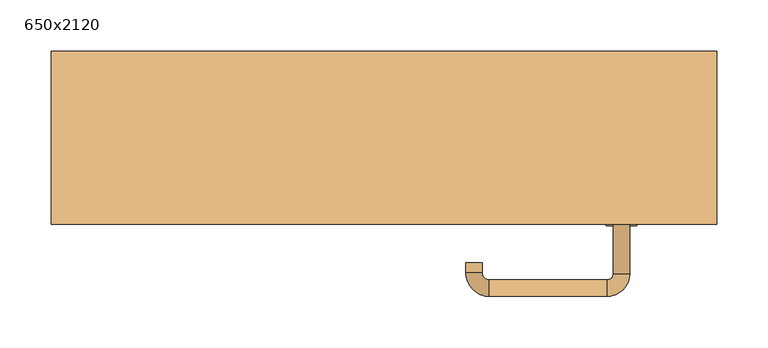
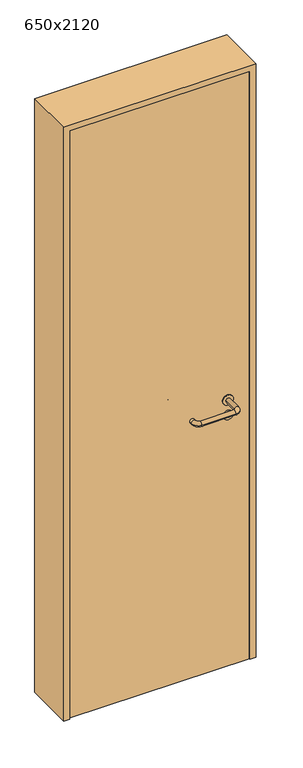
"""IFC4 building model written with IfcOpenShell, lengths in millimetres: door geometry, 650x2120."""

from ifc_helpers import new_model, si_unit, point, frame, frame_2d, origin, origin_with_axes, place, context, project, spatial, polyline, circle_curve, ellipse_curve, trimmed, segment, composite_curve, outline, extrude, source, transform, mapped, element, save
from ifc_brep_helpers import plane_surface, cylinder_surface, revolved_surface, advanced_brep


def door_650x2120_4b329773(model_context):
    return source(origin(), model_context, "Body", "SolidModel", [
        extrude(outline(composite_curve([segment(trimmed(circle_curve(frame_2d((897.3605726, 232.0)), 15.0), [point((897.3605726, 247.0))], [point((897.3605726, 217.0))], False, "CARTESIAN"), True, "CONTINUOUS"), segment(trimmed(circle_curve(frame_2d((897.3605726, 232.0)), 15.0), [point((897.3605726, 217.0))], [point((897.3605726, 247.0))], False, "CARTESIAN"), True, "CONTINUOUS")], self_intersect=False), holes=[composite_curve([segment(trimmed(circle_curve(frame_2d((892.5833211, 231.9398032)), 2.0), [point((892.5833211, 233.9398032))], [point((892.5833211, 229.9398032))], True, "CARTESIAN"), True, "CONTINUOUS"), segment(polyline([(892.5833211, 229.9398032), (902.5833211, 229.9398032)]), True, "CONTINUOUS"), segment(trimmed(circle_curve(frame_2d((902.5833211, 231.9398032)), 2.0), [point((902.5833211, 229.9398032))], [point((902.5833211, 233.9398032))], True, "CARTESIAN"), True, "CONTINUOUS"), segment(polyline([(902.5833211, 233.9398032), (892.5833211, 233.9398032)]), True, "CONTINUOUS")], self_intersect=False)]), frame((0.0, -50.0, 0.0), z_axis=(0.0, 1.0, 0.0), x_axis=(0.0, 0.0, 1.0)), (0.0, 0.0, 1.0), 6.35),
        extrude(outline(composite_curve([segment(trimmed(circle_curve(frame_2d((950.0, 232.0)), 17.526), [point((950.0, 249.526))], [point((950.0, 214.474))], False, "CARTESIAN"), True, "CONTINUOUS"), segment(trimmed(circle_curve(frame_2d((950.0, 232.0)), 17.526), [point((950.0, 214.474))], [point((950.0, 249.526))], False, "CARTESIAN"), True, "CONTINUOUS")], self_intersect=False)), frame((0.0, -50.0, 0.0), z_axis=(0.0, 1.0, 0.0), x_axis=(0.0, 0.0, 1.0)), (0.0, 0.0, 1.0), 3.175),
        advanced_brep(
        [(240.0, -50.0, 950.0), (224.0, -50.0, 950.0), (240.0, 3.0, 950.0), (224.0, 3.0, 950.0), (217.8578644, 9.1421356, 950.0), (217.8578644, 25.1421356, 950.0), (102.8578644, 25.1421356, 950.0), (102.8578644, 9.1421356, 950.0), (96.008622, 2.2928932, 950.0), (80.008622, 2.2928932, 950.0), (80.008622, -7.7071068, 950.0), (96.008622, -7.7071068, 950.0)],
        [
            (0, 1, circle_curve(frame((232.0, -50.0, 950.0), z_axis=(0.0, -1.0, 0.0), x_axis=(-1.0, 0.0, 0.0)), 8.0)),
            (1, 0, circle_curve(frame((232.0, -50.0, 950.0), z_axis=(0.0, -1.0, 0.0), x_axis=(-1.0, 0.0, 0.0)), 8.0)),
            (0, 2),
            (2, 3, circle_curve(frame((232.0, 3.0, 950.0), z_axis=(0.0, -1.0, 0.0), x_axis=(-1.0, 0.0, 0.0)), 8.0)),
            (3, 1),
            (3, 2, circle_curve(frame((232.0, 3.0, 950.0), z_axis=(0.0, -1.0, 0.0), x_axis=(-1.0, 0.0, 0.0)), 8.0)),
            (4, 3, circle_curve(frame((217.8578644, 3.0, 950.0), z_axis=(0.0, 0.0, -1.0), x_axis=(1.0, 0.0, 0.0)), 6.1421356)),
            (2, 5, circle_curve(frame((217.8578644, 3.0, 950.0), z_axis=(0.0, 0.0, 1.0), x_axis=(1.0, 0.0, 0.0)), 22.1421356)),
            (5, 4, circle_curve(frame((217.8578644, 17.1421356, 950.0), z_axis=(1.0, 0.0, 0.0), x_axis=(0.0, -1.0, 0.0)), 8.0)),
            (4, 5, circle_curve(frame((217.8578644, 17.1421356, 950.0), z_axis=(1.0, 0.0, 0.0), x_axis=(0.0, -1.0, 0.0)), 8.0)),
            (5, 6),
            (6, 7, circle_curve(frame((102.8578644, 17.1421356, 950.0), z_axis=(1.0, 0.0, 0.0), x_axis=(0.0, -1.0, 0.0)), 8.0)),
            (7, 4),
            (7, 6, circle_curve(frame((102.8578644, 17.1421356, 950.0), z_axis=(1.0, 0.0, 0.0), x_axis=(0.0, -1.0, 0.0)), 8.0)),
            (8, 7, circle_curve(frame((102.8578644, 2.2928932, 950.0), z_axis=(0.0, 0.0, -1.0), x_axis=(0.0, 1.0, 0.0)), 6.8492424)),
            (6, 9, circle_curve(frame((102.8578644, 2.2928932, 950.0), z_axis=(0.0, 0.0, 1.0), x_axis=(0.0, 1.0, 0.0)), 22.8492424)),
            (9, 8, circle_curve(frame((88.008622, 2.2928932, 950.0), z_axis=(0.0, 1.0, 0.0), x_axis=(1.0, 0.0, 0.0)), 8.0)),
            (8, 9, circle_curve(frame((88.008622, 2.2928932, 950.0), z_axis=(0.0, 1.0, 0.0), x_axis=(1.0, 0.0, 0.0)), 8.0)),
            (10, 11, circle_curve(frame((88.008622, -7.7071068, 950.0), z_axis=(0.0, -1.0, 0.0), x_axis=(1.0, 0.0, 0.0)), 8.0)),
            (11, 10, circle_curve(frame((88.008622, -7.7071068, 950.0), z_axis=(0.0, -1.0, 0.0), x_axis=(1.0, 0.0, 0.0)), 8.0)),
            (9, 10),
            (11, 8),
        ],
        [
            plane_surface(frame((232.0, -50.0, 0.0), z_axis=(0.0, -1.0, 0.0), x_axis=(0.0, 0.0, 1.0))),
            cylinder_surface(frame((232.0, -50.0, 950.0), z_axis=(0.0, -1.0, 0.0), x_axis=(-1.0, 0.0, 0.0)), 8.0),
            revolved_surface(trimmed(ellipse_curve(frame((232.0, 3.0, 950.0), z_axis=(0.0, -1.0, 0.0), x_axis=(-1.0, 0.0, 0.0)), 8.0, 8.0), [point((240.0, 3.0, 950.0))], [point((224.0, 3.0, 950.0))], True, "CARTESIAN"), (217.8578644, 3.0, 0.0), (0.0, 0.0, 1.0)),
            revolved_surface(trimmed(ellipse_curve(frame((232.0, 3.0, 950.0), z_axis=(0.0, -1.0, 0.0), x_axis=(-1.0, 0.0, 0.0)), 8.0, 8.0), [point((224.0, 3.0, 950.0))], [point((240.0, 3.0, 950.0))], True, "CARTESIAN"), (217.8578644, 3.0, 0.0), (0.0, 0.0, 1.0)),
            cylinder_surface(frame((217.8578644, 17.1421356, 950.0), z_axis=(1.0, 0.0, 0.0), x_axis=(0.0, -1.0, 0.0)), 8.0),
            revolved_surface(trimmed(ellipse_curve(frame((102.8578644, 17.1421356, 950.0), z_axis=(1.0, 0.0, 0.0), x_axis=(0.0, -1.0, 0.0)), 8.0, 8.0), [point((102.8578644, 25.1421356, 950.0))], [point((102.8578644, 9.1421356, 950.0))], True, "CARTESIAN"), (102.8578644, 2.2928932, 0.0), (0.0, 0.0, 1.0)),
            revolved_surface(trimmed(ellipse_curve(frame((102.8578644, 17.1421356, 950.0), z_axis=(1.0, 0.0, 0.0), x_axis=(0.0, -1.0, 0.0)), 8.0, 8.0), [point((102.8578644, 9.1421356, 950.0))], [point((102.8578644, 25.1421356, 950.0))], True, "CARTESIAN"), (102.8578644, 2.2928932, 0.0), (0.0, 0.0, 1.0)),
            plane_surface(frame((88.008622, -7.7071068, 0.0), z_axis=(0.0, -1.0, 0.0), x_axis=(0.0, 0.0, 1.0))),
            cylinder_surface(frame((88.008622, 2.2928932, 950.0), z_axis=(0.0, 1.0, 0.0), x_axis=(1.0, 0.0, 0.0)), 8.0),
        ],
        [
            (0, [[1, 2]]),
            (1, [[-1, 3, 4, 5]]),
            (1, [[-2, -5, 6, -3]]),
            (2, [[7, -4, 8, 9]]),
            (3, [[-8, -6, -7, 10]]),
            (4, [[-9, 11, 12, 13]]),
            (4, [[-10, -13, 14, -11]]),
            (5, [[15, -12, 16, 17]]),
            (6, [[-16, -14, -15, 18]]),
            (7, [[19, 20]]),
            (8, [[-17, 21, -20, 22]]),
            (8, [[-18, -22, -19, -21]]),
        ],
    ),
        extrude(outline(composite_curve([segment(trimmed(circle_curve(frame_2d((0.0, 15.0)), 15.0), [point((0.0, 30.0))], [point((0.0, 0.0))], False, "CARTESIAN"), True, "CONTINUOUS"), segment(trimmed(circle_curve(frame_2d((0.0, 15.0)), 15.0), [point((0.0, 0.0))], [point((0.0, 30.0))], False, "CARTESIAN"), True, "CONTINUOUS")], self_intersect=False), holes=[composite_curve([segment(trimmed(circle_curve(frame_2d((-4.7772515, 14.9398032)), 2.0), [point((-4.7772515, 16.9398032))], [point((-4.7772515, 12.9398032))], True, "CARTESIAN"), True, "CONTINUOUS"), segment(polyline([(-4.7772515, 12.9398032), (5.2227485, 12.9398032)]), True, "CONTINUOUS"), segment(trimmed(circle_curve(frame_2d((5.2227485, 14.9398032)), 2.0), [point((5.2227485, 12.9398032))], [point((5.2227485, 16.9398032))], True, "CARTESIAN"), True, "CONTINUOUS"), segment(polyline([(5.2227485, 16.9398032), (-4.7772515, 16.9398032)]), True, "CONTINUOUS")], self_intersect=False)]), frame((217.0, -86.35, 897.3605726), z_axis=(-1.8870575173328306e-12, 1.0, 0.0), x_axis=(0.0, 0.0, 1.0)), (0.0, 0.0, 1.0), 6.35),
        extrude(outline(composite_curve([segment(trimmed(circle_curve(frame_2d((0.0, 17.526)), 17.526), [point((0.0, 35.052))], [point((0.0, 0.0))], False, "CARTESIAN"), True, "CONTINUOUS"), segment(trimmed(circle_curve(frame_2d((0.0, 17.526)), 17.526), [point((0.0, 0.0))], [point((0.0, 35.052))], False, "CARTESIAN"), True, "CONTINUOUS")], self_intersect=False)), frame((214.474, -83.175, 950.0), z_axis=(-1.8870575173328306e-12, 1.0, 0.0), x_axis=(0.0, 0.0, 1.0)), (0.0, 0.0, 1.0), 3.175),
        advanced_brep(
        [(240.0, -80.0, 950.0), (224.0, -80.0, 950.0), (224.0, -133.0, 950.0), (240.0, -133.0, 950.0), (217.8578644, -139.1421356, 950.0), (217.8578644, -155.1421356, 950.0), (102.8578644, -139.1421356, 950.0), (102.8578644, -155.1421356, 950.0), (96.008622, -132.2928932, 950.0), (80.008622, -132.2928932, 950.0), (80.008622, -122.2928932, 950.0), (96.008622, -122.2928932, 950.0)],
        [
            (0, 1, circle_curve(frame((232.0, -80.0, 950.0), z_axis=(-1.888672253512351e-12, 1.0, 0.0), x_axis=(-1.0, -1.888672253512351e-12, 0.0)), 8.0)),
            (1, 0, circle_curve(frame((232.0, -80.0, 950.0), z_axis=(-1.888672253512351e-12, 1.0, 0.0), x_axis=(-1.0, -1.888672253512351e-12, 0.0)), 8.0)),
            (1, 2),
            (2, 3, circle_curve(frame((232.0, -133.0, 950.0), z_axis=(-1.888672253512351e-12, 1.0, 0.0), x_axis=(-1.0, -1.888672253512351e-12, 0.0)), 8.0)),
            (3, 0),
            (3, 2, circle_curve(frame((232.0, -133.0, 950.0), z_axis=(-1.888672253512351e-12, 1.0, 0.0), x_axis=(-1.0, -1.888672253512351e-12, 0.0)), 8.0)),
            (4, 5, circle_curve(frame((217.8578644, -147.1421356, 950.0), z_axis=(1.0, 1.913702061528922e-12, 0.0), x_axis=(-1.913702061528922e-12, 1.0, 0.0)), 8.0)),
            (5, 3, circle_curve(frame((217.8578644, -133.0, 950.0), z_axis=(0.0, 0.0, 1.0), x_axis=(1.0, 1.880717803715015e-12, 0.0)), 22.1421356)),
            (2, 4, circle_curve(frame((217.8578644, -133.0, 950.0), z_axis=(0.0, 0.0, -1.0), x_axis=(1.0, 1.880717803715015e-12, 0.0)), 6.1421356)),
            (5, 4, circle_curve(frame((217.8578644, -147.1421356, 950.0), z_axis=(1.0, 1.913702061528922e-12, 0.0), x_axis=(-1.913702061528922e-12, 1.0, 0.0)), 8.0)),
            (4, 6),
            (6, 7, circle_curve(frame((102.8578644, -147.1421356, 950.0), z_axis=(1.0, 1.913719828541269e-12, 0.0), x_axis=(-1.913719828541269e-12, 1.0, 0.0)), 8.0)),
            (7, 5),
            (7, 6, circle_curve(frame((102.8578644, -147.1421356, 950.0), z_axis=(1.0, 1.913719828541269e-12, 0.0), x_axis=(-1.913719828541269e-12, 1.0, 0.0)), 8.0)),
            (8, 9, circle_curve(frame((88.008622, -132.2928932, 950.0), z_axis=(1.8888942981172756e-12, -1.0, 0.0), x_axis=(1.0, 1.8888942981172756e-12, 0.0)), 8.0)),
            (9, 7, circle_curve(frame((102.8578644, -132.2928932, 950.0), z_axis=(0.0, 0.0, 1.0), x_axis=(1.9120873253494017e-12, -1.0, 0.0)), 22.8492424)),
            (6, 8, circle_curve(frame((102.8578644, -132.2928932, 950.0), z_axis=(0.0, 0.0, -1.0), x_axis=(1.9120873253494017e-12, -1.0, 0.0)), 6.8492424)),
            (9, 8, circle_curve(frame((88.008622, -132.2928932, 950.0), z_axis=(1.890448610351751e-12, -1.0, 0.0), x_axis=(1.0, 1.890448610351751e-12, 0.0)), 8.0)),
            (10, 11, circle_curve(frame((88.008622, -122.2928932, 950.0), z_axis=(-1.8903642334018795e-12, 1.0, 0.0), x_axis=(1.0, 1.8903642334018795e-12, 0.0)), 8.0)),
            (11, 10, circle_curve(frame((88.008622, -122.2928932, 950.0), z_axis=(-1.8903642334018795e-12, 1.0, 0.0), x_axis=(1.0, 1.8903642334018795e-12, 0.0)), 8.0)),
            (8, 11),
            (10, 9),
        ],
        [
            plane_surface(frame((232.0, -80.0, 0.0), z_axis=(-1.8870575173328306e-12, 1.0, 0.0), x_axis=(0.0, 0.0, 1.0))),
            cylinder_surface(frame((232.0, -80.0, 950.0), z_axis=(-1.888672253512351e-12, 1.0, 0.0), x_axis=(-1.0, -1.888672253512351e-12, 0.0)), 8.0),
            revolved_surface(trimmed(ellipse_curve(frame((232.0, -133.0, 950.0), z_axis=(1.8823325398945356e-12, -1.0, 0.0), x_axis=(-1.0, -1.8823325398945356e-12, 0.0)), 8.0, 8.0), [point((240.0, -133.0, 950.0))], [point((224.0, -133.0, 950.0))], True, "CARTESIAN"), (217.8578644, -133.0, 0.0), (0.0, 0.0, 1.0)),
            revolved_surface(trimmed(ellipse_curve(frame((232.0, -133.0, 950.0), z_axis=(1.8823325398945356e-12, -1.0, 0.0), x_axis=(-1.0, -1.8823325398945356e-12, 0.0)), 8.0, 8.0), [point((224.0, -133.0, 950.0))], [point((240.0, -133.0, 950.0))], True, "CARTESIAN"), (217.8578644, -133.0, 0.0), (0.0, 0.0, 1.0)),
            cylinder_surface(frame((217.8578644, -147.1421356, 950.0), z_axis=(1.0, 1.913719828541269e-12, 0.0), x_axis=(-1.913719828541269e-12, 1.0, 0.0)), 8.0),
            revolved_surface(trimmed(ellipse_curve(frame((102.8578644, -147.1421356, 950.0), z_axis=(-1.0, -1.913702061528922e-12, 0.0), x_axis=(-1.913702061528922e-12, 1.0, 0.0)), 8.0, 8.0), [point((102.8578644, -155.1421356, 950.0))], [point((102.8578644, -139.1421356, 950.0))], True, "CARTESIAN"), (102.8578644, -132.2928932, 0.0), (0.0, 0.0, 1.0)),
            revolved_surface(trimmed(ellipse_curve(frame((102.8578644, -147.1421356, 950.0), z_axis=(-1.0, -1.913702061528922e-12, 0.0), x_axis=(-1.913702061528922e-12, 1.0, 0.0)), 8.0, 8.0), [point((102.8578644, -139.1421356, 950.0))], [point((102.8578644, -155.1421356, 950.0))], True, "CARTESIAN"), (102.8578644, -132.2928932, 0.0), (0.0, 0.0, 1.0)),
            plane_surface(frame((88.008622, -122.2928932, 0.0), z_axis=(-1.8887494972223595e-12, 1.0, 0.0), x_axis=(0.0, 0.0, 1.0))),
            cylinder_surface(frame((88.008622, -132.2928932, 950.0), z_axis=(1.8903642334018795e-12, -1.0, 0.0), x_axis=(1.0, 1.8903642334018795e-12, 0.0)), 8.0),
        ],
        [
            (0, [[1, 2]]),
            (1, [[3, 4, 5, -2]]),
            (1, [[-5, 6, -3, -1]]),
            (2, [[7, 8, -4, 9]]),
            (3, [[10, -9, -6, -8]]),
            (4, [[11, 12, 13, -7]]),
            (4, [[-13, 14, -11, -10]]),
            (5, [[15, 16, -12, 17]]),
            (6, [[18, -17, -14, -16]]),
            (7, [[19, 20]]),
            (8, [[21, -19, 22, -15]]),
            (8, [[-22, -20, -21, -18]]),
        ],
    ),
        extrude(outline(polyline([(2100.0, 305.0), (0.0, 305.0), (0.0, 325.0), (2120.0, 325.0), (2120.0, -325.0), (0.0, -325.0), (0.0, -305.0), (2100.0, -305.0), (2100.0, 305.0)])), frame((0.0, -85.0, 0.0), z_axis=(0.0, 1.0, 0.0), x_axis=(0.0, 0.0, 1.0)), (0.0, 0.0, 1.0), 169.0),
        extrude(outline(polyline([(-305.0, -80.0), (-305.0, -50.0), (305.0, -50.0), (305.0, -80.0), (-305.0, -80.0)])), origin_with_axes(), (0.0, 0.0, 1.0), 2100.0),
    ])


if __name__ == "__main__":
    model = new_model("IFC4")
    model_context = context("Model", 3, world=origin())
    ifc_project = project(units=[si_unit("LENGTHUNIT", "METRE", prefix="MILLI")], contexts=[model_context])
    site = spatial("IfcSite", under=ifc_project)
    building = spatial("IfcBuilding", under=site)
    placement = place(None, origin())
    door_650x2120_shape = door_650x2120_4b329773(model_context)
    element("IfcDoor", 1, ObjectType="650x2120", at=placement, inside=building, context=model_context, shape_type="MappedRepresentation", body=[
        mapped(door_650x2120_shape, transform((0.0, 0.0, 0.0), x_axis=(1.0, 0.0, 0.0), y_axis=(0.0, 1.0, 0.0), z_axis=(0.0, 0.0, 1.0))),
    ])
    save(model, "model.ifc")
